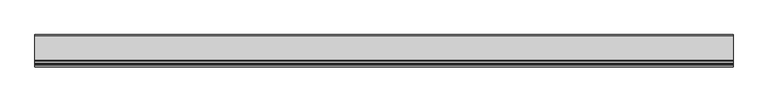
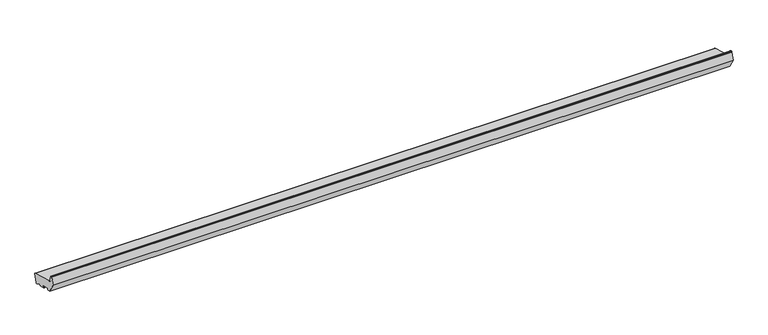
"""IFC4 building model written with IfcOpenShell, lengths in millimetres: proxy geometry."""

from ifc_helpers import new_model, si_unit, point, frame, frame_2d, origin, place, context, project, spatial, polyline, circle_curve, trimmed, segment, composite_curve, outline, extrude, source, transform, mapped, element, save


def generic_models_f246ea3b(model_context):
    return source(origin(), model_context, "Body", "SweptSolid", [
        extrude(outline(composite_curve([segment(polyline([(-46.1626434, 57.797826), (32.5949866, 36.6947826)]), True, "CONTINUOUS"), segment(trimmed(circle_curve(frame_2d((31.8185295, 33.7970051)), 3.0), [point((32.5949866, 36.6947826))], [point((34.716307, 33.020548))], False, "CARTESIAN"), True, "CONTINUOUS"), segment(polyline([(34.716307, 33.020548), (27.9870118, 7.9064765)]), True, "CONTINUOUS"), segment(trimmed(circle_curve(frame_2d((25.0892343, 8.6829337)), 3.0), [point((27.9870118, 7.9064765))], [point((24.3127772, 5.7851562))], False, "CARTESIAN"), True, "CONTINUOUS"), segment(polyline([(24.3127772, 5.7851562), (21.4149997, 6.5616133), (7.4292308, 15.095059)]), True, "CONTINUOUS"), segment(trimmed(circle_curve(frame_2d((6.908377, 14.2414131)), 1.0), [point((7.4292308, 15.095059))], [point((5.9424512, 14.5002322))], True, "CARTESIAN"), True, "CONTINUOUS"), segment(polyline([(5.9424512, 14.5002322), (4.9942607, 10.9615371)]), True, "CONTINUOUS"), segment(trimmed(circle_curve(frame_2d((4.0283348, 11.2203561)), 1.0), [point((4.9942607, 10.9615371))], [point((3.7695158, 10.2544303))], False, "CARTESIAN"), True, "CONTINUOUS"), segment(polyline([(3.7695158, 10.2544303), (-13.6171491, 14.9131731)]), True, "CONTINUOUS"), segment(trimmed(circle_curve(frame_2d((-13.35833, 15.8790989)), 1.0), [point((-13.6171491, 14.9131731))], [point((-14.3242559, 16.137918))], False, "CARTESIAN"), True, "CONTINUOUS"), segment(polyline([(-14.3242559, 16.137918), (-13.2889797, 20.0016213)]), True, "CONTINUOUS"), segment(trimmed(circle_curve(frame_2d((-14.2549055, 20.2604403)), 1.0), [point((-13.2889797, 20.0016213))], [point((-13.9960865, 21.2263662))], True, "CARTESIAN"), True, "CONTINUOUS"), segment(polyline([(-13.9960865, 21.2263662), (-37.1783063, 27.4380232)]), True, "CONTINUOUS"), segment(trimmed(circle_curve(frame_2d((-37.4371253, 26.4720974)), 1.0), [point((-37.1783063, 27.4380232))], [point((-38.4030512, 26.7309165))], True, "CARTESIAN"), True, "CONTINUOUS"), segment(polyline([(-38.4030512, 26.7309165), (-39.4383273, 22.8672132)]), True, "CONTINUOUS"), segment(trimmed(circle_curve(frame_2d((-40.4042532, 23.1260322)), 1.0), [point((-39.4383273, 22.8672132))], [point((-40.6630722, 22.1601064))], False, "CARTESIAN"), True, "CONTINUOUS"), segment(polyline([(-40.6630722, 22.1601064), (-50.3223305, 24.7482968), (-68.0, 55.3669186), (-61.4291321, 79.8897315)]), True, "CONTINUOUS"), segment(trimmed(circle_curve(frame_2d((-59.9802434, 79.5015029)), 1.5), [point((-61.4291321, 79.8897315))], [point((-59.9802434, 81.0015029))], False, "CARTESIAN"), True, "CONTINUOUS"), segment(polyline([(-59.9802434, 81.0015029), (-56.6368689, 81.0015029)]), True, "CONTINUOUS"), segment(trimmed(circle_curve(frame_2d((-56.6368689, 79.5015029)), 1.5), [point((-56.6368689, 81.0015029))], [point((-55.1879801, 79.8897315))], False, "CARTESIAN"), True, "CONTINUOUS"), segment(polyline([(-55.1879801, 79.8897315), (-50.4052841, 62.0404667)]), True, "CONTINUOUS"), segment(trimmed(circle_curve(frame_2d((-44.6097291, 63.5933809)), 6.0), [point((-50.4052841, 62.0404667))], [point((-46.1626434, 57.797826))], True, "CARTESIAN"), True, "CONTINUOUS")], self_intersect=False)), frame((0.0, 0.0, 0.0), z_axis=(1.0, 0.0, 0.0), x_axis=(0.0, 1.0, 0.0)), (0.0, 0.0, 1.0), 2230.0),
    ])


if __name__ == "__main__":
    model = new_model("IFC4")
    model_context = context("Model", 3, world=origin())
    ifc_project = project(units=[si_unit("LENGTHUNIT", "METRE", prefix="MILLI")], contexts=[model_context])
    site = spatial("IfcSite", under=ifc_project)
    building = spatial("IfcBuilding", under=site)
    placement = place(None, origin())
    generic_models_shape = generic_models_f246ea3b(model_context)
    element("IfcBuildingElementProxy", 1, Name="Generic Models", at=placement, inside=building, context=model_context, shape_type="MappedRepresentation", body=[
        mapped(generic_models_shape, transform((0.0, 0.0, 0.0), x_axis=(1.0, 0.0, 0.0), y_axis=(0.0, 1.0, 0.0), z_axis=(0.0, 0.0, 1.0))),
    ])
    save(model, "model.ifc")
